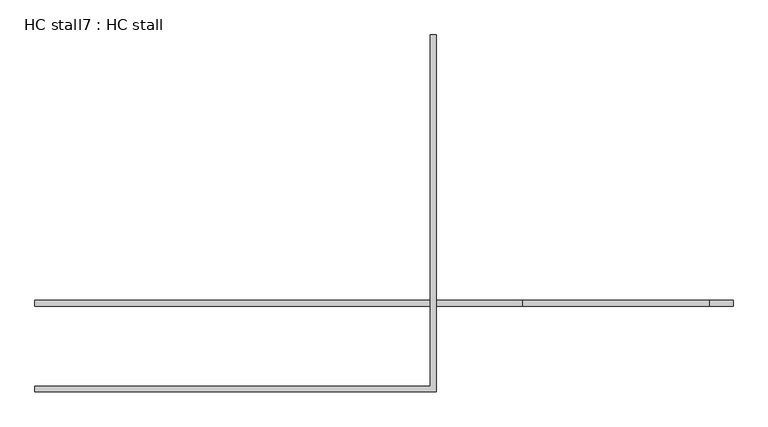
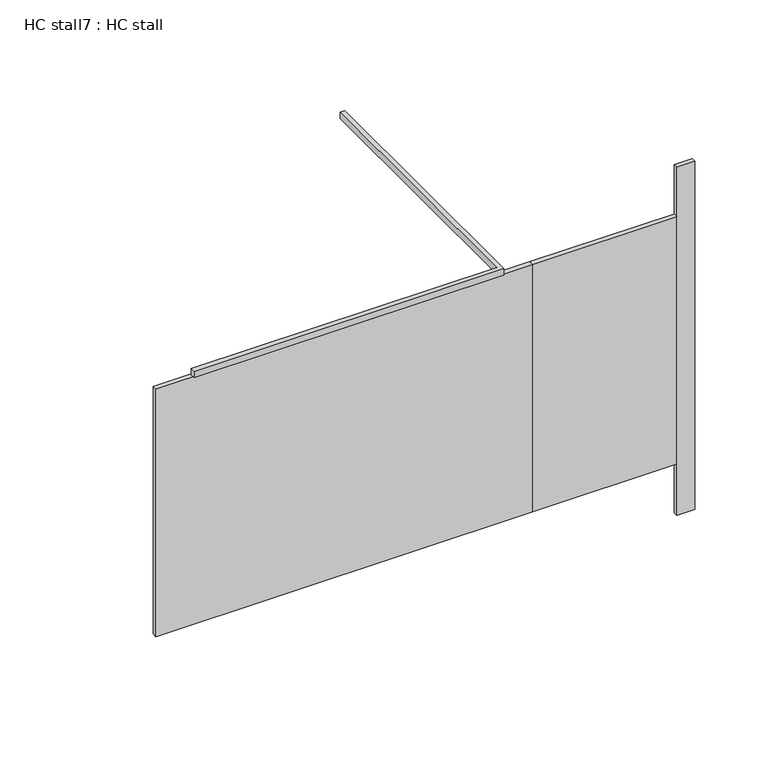
"""IFC4 building model written with IfcOpenShell, lengths in millimetres: proxy geometry, HC stall7 : HC stall."""

from ifc_helpers import new_model, si_unit, frame, origin, origin_with_axes, place, context, project, spatial, polyline, outline, extrude, source, transform, mapped, element, save


def hc_stall7_hc_stall_5b588944(model_context):
    return source(origin(), model_context, "Body", "SweptSolid", [
        extrude(outline(polyline([(272594.1754676, -251065.5205223), (272594.1754676, -251040.1205223), (274710.3129676, -251040.1205223), (274710.3129676, -251065.5205223), (272594.1754676, -251065.5205223)])), frame((0.0, 0.0, 304.8), z_axis=(0.0, 0.0, 1.0), x_axis=(1.0, 0.0, 0.0)), (0.0, 0.0, 1.0), 1473.2),
        extrude(outline(polyline([(275523.1129676, -251040.1205223), (275624.7129676, -251040.1205223), (275624.7129676, -251065.5205223), (275523.1129676, -251065.5205223), (275523.1129676, -251040.1205223)])), origin_with_axes(), (0.0, 0.0, 1.0), 2070.1),
        extrude(outline(polyline([(274310.2629676, -251411.5955223), (274310.2629676, -249887.5955223), (274335.6629676, -249887.5955223), (274335.6629676, -251436.9955223), (272594.1754676, -251436.9955223), (272594.1754676, -251411.5955223), (274310.2629676, -251411.5955223)])), frame((0.0, 0.0, 2070.1), z_axis=(0.0, 0.0, 1.0), x_axis=(1.0, 0.0, 0.0)), (0.0, 0.0, 1.0), 38.1),
        extrude(outline(polyline([(274710.3129676, -251040.1205223), (275523.1129676, -251040.1205223), (275523.1129676, -251065.5205223), (274710.3129676, -251065.5205223), (274710.3129676, -251040.1205223)])), frame((0.0, 0.0, 304.8), z_axis=(0.0, 0.0, 1.0), x_axis=(1.0, 0.0, 0.0)), (0.0, 0.0, 1.0), 1473.2),
    ])


if __name__ == "__main__":
    model = new_model("IFC4")
    model_context = context("Model", 3, world=origin())
    ifc_project = project(units=[si_unit("LENGTHUNIT", "METRE", prefix="MILLI")], contexts=[model_context])
    site = spatial("IfcSite", under=ifc_project)
    building = spatial("IfcBuilding", under=site)
    placement = place(None, origin())
    hc_stall7_hc_stall_shape = hc_stall7_hc_stall_5b588944(model_context)
    element("IfcBuildingElementProxy", 1, Name="HC stall7 : HC stall", ObjectType="HC stall7 : HC stall", at=placement, inside=building, context=model_context, shape_type="MappedRepresentation", body=[
        mapped(hc_stall7_hc_stall_shape, transform((0.0, 0.0, 0.0), x_axis=(1.0, 0.0, 0.0), y_axis=(0.0, 1.0, 0.0), z_axis=(0.0, 0.0, 1.0))),
    ])
    save(model, "model.ifc")
